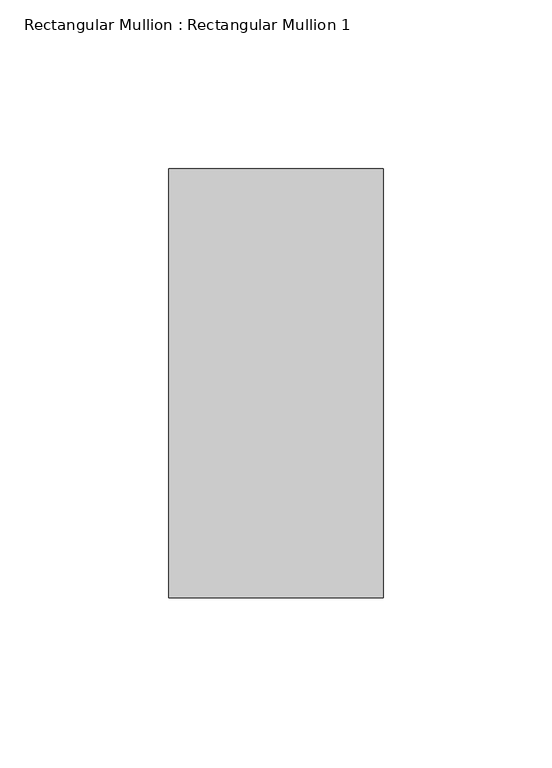
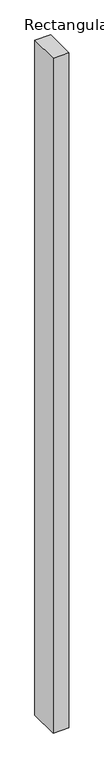
"""IFC4 building model written with IfcOpenShell, lengths in millimetres: member geometry, Rectangular Mullion : Rectangular Mullion 1."""

from ifc_helpers import new_model, si_unit, frame, origin, place, context, project, spatial, polyline, outline, extrude, source, transform, mapped, element, save


def rectangular_mullion_rectangular_mullion_1_ce34bd2e(model_context):
    return source(origin(), model_context, "Body", "SweptSolid", [
        extrude(outline(polyline([(0.0, 63.5), (0.0, -63.5), (-63.5, -63.5), (-63.5, 63.5), (0.0, 63.5)])), frame((0.0, 0.0, -2882.9635785), z_axis=(0.0, 0.0, 1.0), x_axis=(1.0, 0.0, 0.0)), (0.0, 0.0, 1.0), 2882.9635785),
    ])


if __name__ == "__main__":
    model = new_model("IFC4")
    model_context = context("Model", 3, world=origin())
    ifc_project = project(units=[si_unit("LENGTHUNIT", "METRE", prefix="MILLI")], contexts=[model_context])
    site = spatial("IfcSite", under=ifc_project)
    building = spatial("IfcBuilding", under=site)
    placement = place(None, origin())
    rectangular_mullion_rectangular_mullion_1_shape = rectangular_mullion_rectangular_mullion_1_ce34bd2e(model_context)
    element("IfcMember", 1, ObjectType="Rectangular Mullion : Rectangular Mullion 1", at=placement, inside=building, context=model_context, shape_type="MappedRepresentation", body=[
        mapped(rectangular_mullion_rectangular_mullion_1_shape, transform((0.0, 0.0, 0.0), x_axis=(1.0, 0.0, 0.0), y_axis=(0.0, 1.0, 0.0), z_axis=(0.0, 0.0, 1.0))),
    ])
    save(model, "model.ifc")
